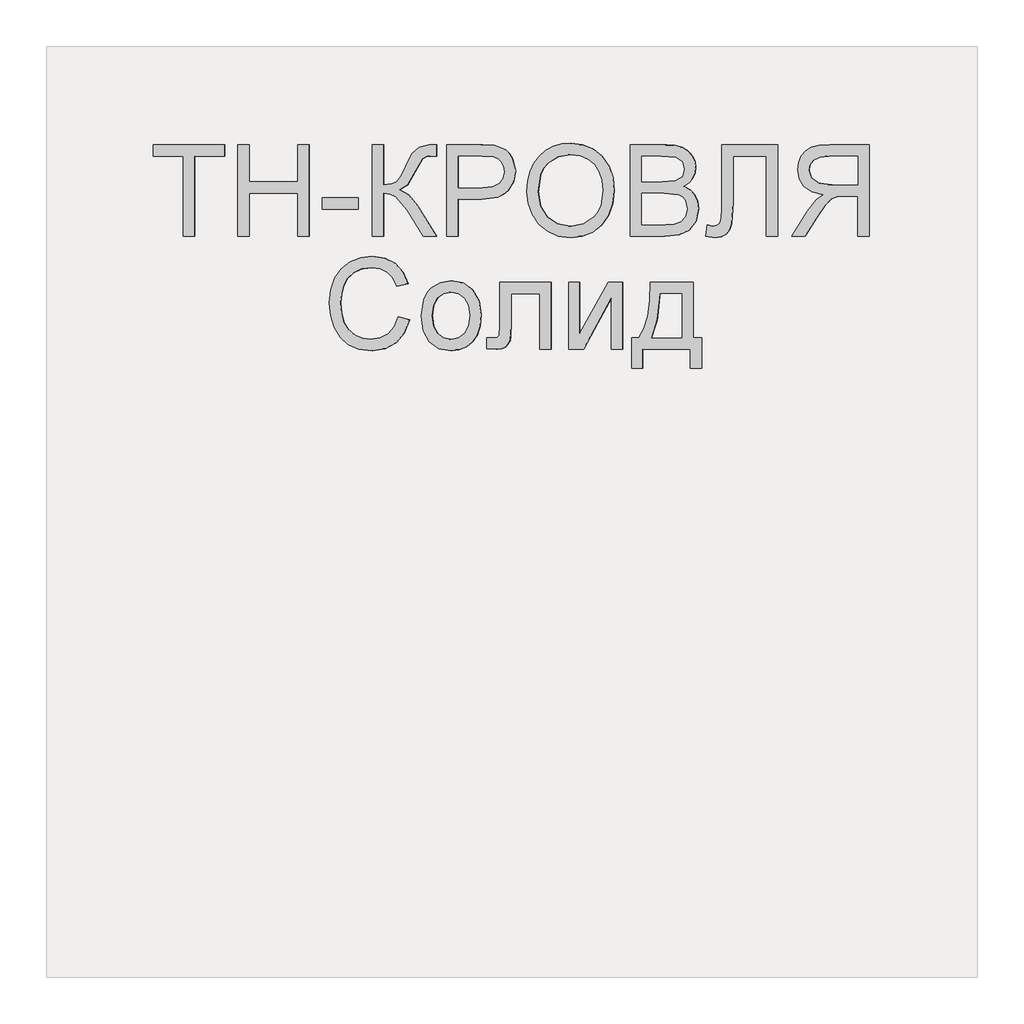
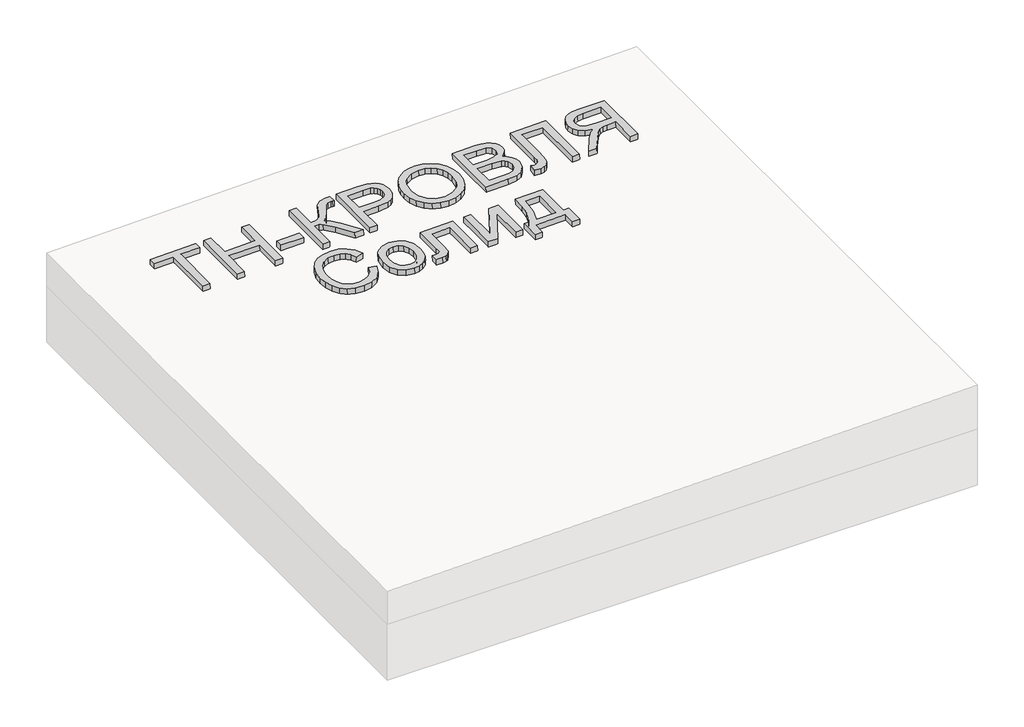
# One storey, part 3 of 3: 1 proxy.
"""IFC4 building model written with IfcOpenShell, lengths in millimetres."""

import ifcopenshell
import ifcopenshell.guid

model = None  # the IFC model being written
_history = None  # IfcOwnerHistory: only IFC2X3 demands one
_inside = {}  # id of a spatial element -> (the spatial element, [elements in it])
_under = {}  # id of a project, library or spatial element -> (it, [spatial elements below it])
_declared = {}  # id of a project -> (the project, [libraries it declares])
_typed = {}  # id of a type object -> (the type object, [elements of that type])
_made_of = {}  # id of a material, layer set ... -> (it, [elements and type objects made of it])


def new_model(schema):
    """Start an empty IFC model of exactly this schema.

    Asked for "IFC4X3", IfcOpenShell would pick the latest addendum, in which some entities
    have other attributes; the version numbers below select the first issue.
    IFC2X3 requires an IfcOwnerHistory on every rooted entity: one is made here for all.
    """
    global model, _history
    if schema == "IFC4X3":
        model = ifcopenshell.file(schema_version=(4, 3, 0, 0))
    else:
        model = ifcopenshell.file(schema=schema)
    _inside.clear()
    _under.clear()
    _declared.clear()
    _typed.clear()
    _made_of.clear()
    _history = None
    if model.schema == "IFC2X3":
        org = make("IfcOrganization", Name="unknown")
        user = make(
            "IfcPersonAndOrganization",
            ThePerson=make("IfcPerson", FamilyName="unknown"),
            TheOrganization=org,
        )
        app = make(
            "IfcApplication",
            ApplicationDeveloper=org,
            Version="unknown",
            ApplicationFullName="unknown",
            ApplicationIdentifier="unknown",
        )
        _history = make(
            "IfcOwnerHistory",
            OwningUser=user,
            OwningApplication=app,
            ChangeAction="ADDED",
            CreationDate=0,
        )
    return model


def make(cls, **values):
    """One entity of the class cls with the attributes given. An attribute that is None is left unset."""
    return model.create_entity(
        cls, **{name: value for name, value in values.items() if value is not None}
    )


def rooted(cls, **values):
    """An entity with a GlobalId (a new one), such as an element, a storey or a relation."""
    return make(cls, GlobalId=ifcopenshell.guid.new(), OwnerHistory=_history, **values)


def si_unit(unit_type, name, prefix=None):
    """IfcSIUnit, for example si_unit("LENGTHUNIT", "METRE", prefix="MILLI")."""
    return make("IfcSIUnit", UnitType=unit_type, Prefix=prefix, Name=name)


def assignment(units):
    """IfcUnitAssignment: the units of a project."""
    return None if units is None else make("IfcUnitAssignment", Units=units)


def point(xyz):
    """IfcCartesianPoint."""
    return None if xyz is None else make("IfcCartesianPoint", Coordinates=xyz)


def direction(xyz):
    """IfcDirection."""
    return None if xyz is None else make("IfcDirection", DirectionRatios=xyz)


def frame(location, z_axis=None, x_axis=None):
    """IfcAxis2Placement3D, a coordinate frame: its origin and axes. An axis left out is left unset."""
    return make(
        "IfcAxis2Placement3D",
        Location=point(location),
        Axis=direction(z_axis),
        RefDirection=direction(x_axis),
    )


def origin():
    """The frame at (0, 0, 0) with its axes left unset."""
    return frame((0.0, 0.0, 0.0))


def place(relative_to, where):
    """IfcLocalPlacement: puts the frame where relative to a parent placement (None: the world)."""
    return make(
        "IfcLocalPlacement", PlacementRelTo=relative_to, RelativePlacement=where
    )


def context(
    kind, dimensions, precision=None, world=None, true_north=None, identifier=None
):
    """IfcGeometricRepresentationContext, for example the 3D "Model" context."""
    return make(
        "IfcGeometricRepresentationContext",
        ContextIdentifier=identifier,
        ContextType=kind,
        CoordinateSpaceDimension=dimensions,
        Precision=precision,
        WorldCoordinateSystem=world,
        TrueNorth=true_north,
    )


def project(units=None, contexts=None):
    """IfcProject with its units and contexts."""
    return rooted(
        "IfcProject",
        Name="project",
        RepresentationContexts=contexts,
        UnitsInContext=assignment(units),
    )


def spatial(cls, under=None, at=None, **own):
    """A site, building, storey or space (cls), placed at a placement, below another one or the project."""
    s = rooted(cls, ObjectPlacement=at, **own)
    if under is not None:
        _under.setdefault(under.id(), (under, []))[1].append(s)
    return s


def polyline(points):
    """IfcPolyline through the points."""
    return make("IfcPolyline", Points=[point(p) for p in points])


def outline(outer, holes=None, kind="AREA"):
    """IfcArbitraryClosedProfileDef: a profile drawn as a closed curve; with holes, ...WithVoids."""
    if holes is None:
        return make("IfcArbitraryClosedProfileDef", ProfileType=kind, OuterCurve=outer)
    return make(
        "IfcArbitraryProfileDefWithVoids",
        ProfileType=kind,
        OuterCurve=outer,
        InnerCurves=holes,
    )


def extrude(swept, where, along, depth):
    """IfcExtrudedAreaSolid: the profile swept, set in the frame where, extruded along a direction by depth."""
    return make(
        "IfcExtrudedAreaSolid",
        SweptArea=swept,
        Position=where,
        ExtrudedDirection=direction(along),
        Depth=depth,
    )


def shape(context_of_items, identifier, shape_type, items):
    """IfcShapeRepresentation: the items that make up one representation, for example the "Body"."""
    return make(
        "IfcShapeRepresentation",
        ContextOfItems=context_of_items,
        RepresentationIdentifier=identifier,
        RepresentationType=shape_type,
        Items=items,
    )


def made_of(thing, what):
    """Note that an element or type object is made of a material, layer set ...; save() writes the relation."""
    if what is not None:
        _made_of.setdefault(what.id(), (what, []))[1].append(thing)
    return thing


def element(
    cls,
    number,
    at=None,
    inside=None,
    cuts=None,
    type_object=None,
    material=None,
    context=None,
    identifier="Body",
    shape_type=None,
    held_by="IfcProductDefinitionShape",
    body=None,
    shapes=None,
    **own,
):
    """One element of the class cls, such as IfcWall. Its Tag is "e" and its number.

    at: its placement. inside: the storey or other place that contains it. cuts: it is an
    opening in that element (IfcRelVoidsElement). A single representation is given by context,
    identifier, shape_type and body (its items); several are given by shapes. held_by: the class
    of the entity that holds the representations. save() writes the other relations.
    """
    e = rooted(cls, Tag="e%d" % number, ObjectPlacement=at, **own)
    if body is not None:
        shapes = [shape(context, identifier, shape_type, body)]
    if shapes is not None:
        e.Representation = make(held_by, Representations=shapes)
    if inside is not None:
        _inside.setdefault(inside.id(), (inside, []))[1].append(e)
    if cuts is not None:
        rooted(
            "IfcRelVoidsElement", RelatingBuildingElement=cuts, RelatedOpeningElement=e
        )
    if type_object is not None:
        _typed.setdefault(type_object.id(), (type_object, []))[1].append(e)
    return made_of(e, material)


def aggregate(whole, parts):
    """IfcRelAggregates: a whole, such as a stair, and the parts it consists of."""
    return rooted("IfcRelAggregates", RelatingObject=whole, RelatedObjects=parts)


def save(model, path):
    """Write the relations noted so far, then the file.

    IfcRelAggregates (storeys below a building ...), IfcRelContainedInSpatialStructure (elements
    in a storey), IfcRelDefinesByType, IfcRelAssociatesMaterial and IfcRelDeclares: one each for
    every whole, place, type object, material and project.
    """
    for whole, parts in _under.values():
        aggregate(whole, parts)
    for where, things in _inside.values():
        rooted(
            "IfcRelContainedInSpatialStructure",
            RelatedElements=things,
            RelatingStructure=where,
        )
    for kind, things in _typed.values():
        rooted("IfcRelDefinesByType", RelatedObjects=things, RelatingType=kind)
    for what, things in _made_of.values():
        rooted("IfcRelAssociatesMaterial", RelatedObjects=things, RelatingMaterial=what)
    for by, libraries in _declared.values():
        rooted("IfcRelDeclares", RelatingContext=by, RelatedDefinitions=libraries)
    model.write(path)


model = new_model("IFC4")

# Units and contexts
model_context = context("Model", 3, world=origin())
ifc_project = project(units=[si_unit("LENGTHUNIT", "METRE", prefix="MILLI")], contexts=[model_context])

# Site, building, storey
site = spatial("IfcSite", under=ifc_project)
building = spatial("IfcBuilding", under=site)
storey = spatial("IfcBuildingStorey", under=building, Elevation=0.0)

# Proxy
placement = place(None, origin())
element("IfcBuildingElementProxy", 1, Name="Generic Models", at=placement, inside=storey, context=model_context, shape_type="SweptSolid", body=[
    extrude(outline(polyline([(24.6153846, 0.0), (24.6153846, -172.3076923), (89.2307692, -172.3076923), (89.2307692, -196.9230769), (-64.6153846, -196.9230769), (-64.6153846, -172.3076923), (0.0, -172.3076923), (0.0, 0.0), (24.6153846, 0.0)])), frame((58025.3344631, -4710.2316754, 125.3787774), z_axis=(-0.01999600119956399, 0.0, 0.9998000599800078), x_axis=(-0.9998000599800078, 0.0, -0.01999600119956399)), (0.0, 0.0, 1.0), 20.0),
    extrude(outline(polyline([(24.6153846, 0.0), (24.6153846, -196.9230769), (0.0, -196.9230769), (0.0, -116.9230769), (-104.6153846, -116.9230769), (-104.6153846, -196.9230769), (-129.2307692, -196.9230769), (-129.2307692, 0.0), (-104.6153846, 0.0), (-104.6153846, -92.3076923), (0.0, -92.3076923), (0.0, 0.0), (24.6153846, 0.0)])), frame((58142.2341624, -4710.2316754, 127.7167713), z_axis=(-0.01999600119956399, 0.0, 0.9998000599800078), x_axis=(-0.9998000599800078, 0.0, -0.01999600119956399)), (0.0, 0.0, 1.0), 20.0),
    extrude(outline(polyline([(76.923077, 0.0), (76.923077, -24.6153846), (0.0, -24.6153846), (0.0, 0.0), (76.923077, 0.0)])), frame((58376.0335611, -4651.7701369, 132.3927593), z_axis=(-0.01999600119956399, 0.0, 0.9998000599800079), x_axis=(-0.9998000599800079, 0.0, -0.01999600119956399)), (0.0, 0.0, 1.0), 20.0),
    extrude(outline(polyline([(196.9230769, 0.0), (196.9230769, -24.6153846), (110.7692308, -24.6153846), (112.3978365, -41.2800481), (117.2836538, -52.1394231), (128.7800481, -60.9194711), (150.2403846, -71.3461539), (177.7644231, -84.9278847), (191.3942308, -100.3125), (196.9230769, -122.3076923), (196.6346154, -138.4615385), (172.0192308, -138.4615385), (172.1634615, -133.0288462), (172.3076923, -127.5961539), (170.8293269, -116.3221154), (166.3942308, -108.3653847), (141.0576923, -93.75), (110.1923077, -76.3221154), (100.0, -59.3269231), (88.8701923, -78.329327), (65.6730769, -97.0673077), (0.0, -138.4615385), (0.0, -109.9038462), (55.4807692, -74.9038462), (84.4471154, -50.2644231), (90.3425481, -38.8882212), (92.3076923, -24.6153846), (0.0, -24.6153846), (0.0, 0.0), (196.9230769, 0.0)])), frame((58406.7966398, -4710.2316754, 133.0080209), z_axis=(-0.01999600119956399, 0.0, 0.9998000599800079), x_axis=(0.0, 1.0, 0.0)), (0.0, 0.0, 1.0), 20.0),
    extrude(outline(polyline([(24.6153846, 0.0), (24.6153846, -196.9230769), (-48.3653847, -196.9230769), (-77.7884615, -195.0480769), (-101.7067308, -185.8413461), (-110.4026443, -177.6802885), (-117.2115385, -166.8028846), (-123.0769231, -139.9519231), (-119.1165866, -116.7427885), (-107.235577, -97.4038461), (-97.7208534, -89.7896635), (-85.0180289, -84.3509615), (-50.0480769, -80.0), (0.0, -80.0), (0.0, 0.0), (24.6153846, 0.0)]), holes=[polyline([(0.0, -104.6153846), (-51.4903847, -104.6153846), (-73.3173078, -106.875), (-87.7403846, -113.6538461), (-95.78125, -124.53125), (-98.4615385, -139.0865385), (-96.8810097, -150.1442308), (-92.1394232, -159.4711538), (-84.8257212, -166.4903846), (-75.5288461, -170.625), (-50.9134615, -172.3076923), (0.0, -172.3076923), (0.0, -104.6153846)])]), frame((58591.3751124, -4710.2316754, 136.6995903), z_axis=(-0.01999600119956399, 0.0, 0.9998000599800078), x_axis=(-0.9998000599800078, 0.0, -0.01999600119956399)), (0.0, 0.0, 1.0), 20.0),
    extrude(outline(polyline([(25.3428445, 0.0), (48.1160484, -4.1938573), (67.8912361, -11.3545773), (84.6684074, -21.48216), (98.4475626, -34.5766053), (108.9049086, -49.9093782), (115.7166524, -66.7519434), (118.8827941, -85.1043011), (118.4033337, -104.9664512), (112.3116986, -130.2760814), (100.0658902, -152.2136344), (82.4868293, -169.6009171), (60.3954366, -181.2597367), (34.812491, -187.0380147), (6.7587717, -186.7836729), (-21.0136463, -180.6528553), (-44.9882084, -168.8870737), (-63.9421568, -152.1247694), (-76.6527338, -131.0043835), (-83.1347827, -107.1750808), (-83.4031474, -82.2860261), (-77.165962, -56.5935492), (-64.600884, -34.5586152), (-46.7404789, -17.2511253), (-24.6173127, -5.740981), (0.0, 0.0), (25.3428445, 0.0)]), holes=[polyline([(22.3721769, -24.4366544), (-8.7890431, -25.9094148), (-33.7562618, -37.9787802), (-50.9832576, -58.3865327), (-58.9238091, -84.8744541), (-57.0179297, -112.8610054), (-44.5775814, -136.6179285), (-34.5460353, -146.3414541), (-22.1589798, -153.8699217), (9.6816594, -162.341683), (31.570013, -162.6815636), (50.9840871, -158.5364568), (67.4340475, -150.0149318), (80.43006, -137.2255581), (89.4380632, -121.0520254), (93.9239955, -102.3780231), (92.2935561, -75.5530127), (81.0850249, -51.6494365), (71.4163804, -41.5325654), (58.4080243, -33.6248113), (22.3721769, -24.4366544)])]), frame((58741.8498282, -4639.5525889, 139.7090847), z_axis=(-0.019996001199563993, 0.0, 0.9998000599800079), x_axis=(-0.11095588221386112, 0.9938228553011974, -0.002219117644273191)), (0.0, 0.0, 1.0), 20.0),
    extrude(outline(polyline([(74.5673077, 0.0), (74.5673077, -196.9230769), (-0.5769231, -196.9230769), (-21.2439903, -195.4747596), (-37.3798076, -191.1298077), (-49.7475961, -183.7800481), (-59.1105769, -173.3173077), (-65.0060096, -161.0096154), (-66.9711538, -148.125), (-65.3185096, -136.2680288), (-60.3605769, -125.1201923), (-52.061298, -115.3665865), (-40.3846153, -107.6923077), (-54.3329326, -100.4086538), (-64.639423, -89.3269231), (-71.0036058, -75.1802885), (-73.1249999, -58.7019231), (-67.3317307, -32.2355769), (-52.9807692, -13.3894231), (-31.5625, -3.3894231), (0.0, 0.0), (74.5673077, 0.0)]), holes=[polyline([(49.9519231, -116.9230769), (5.0, -116.9230769), (-21.2499999, -119.0384615), (-37.0432692, -128.1490385), (-42.3557692, -144.1826923), (-37.4038461, -160.2403846), (-23.2211538, -169.7355769), (8.4134616, -172.3076923), (49.9519231, -172.3076923), (49.9519231, -116.9230769)]), polyline([(49.9519231, -24.6153846), (-0.5288461, -24.6153846), (-18.7980769, -25.5769231), (-34.2548076, -30.9375), (-44.4951923, -41.875), (-48.5096153, -58.4615385), (-43.7980769, -77.5961538), (-37.6262019, -84.5132211), (-28.5336538, -89.0144231), (1.8750001, -92.3076923), (49.9519231, -92.3076923), (49.9519231, -24.6153846)])]), frame((59035.0844564, -4710.2316754, 145.5737772), z_axis=(-0.019996001199563986, 0.0, 0.9998000599800078), x_axis=(-0.9998000599800078, 0.0, -0.019996001199563986)), (0.0, 0.0, 1.0), 20.0),
    extrude(outline(polyline([(137.6442308, 0.0), (137.6442308, -120.0), (-59.2788461, -120.0), (-59.2788461, -95.3846154), (113.0288462, -95.3846154), (113.0288462, -24.6153846), (12.548077, -24.6153846), (-32.2836538, -21.7548077), (-44.951923, -17.3257211), (-54.4471153, -9.7596153), (-60.3786057, 0.6009616), (-62.3557692, 13.4134616), (-59.2788461, 33.8461539), (-34.6634615, 30.7692308), (-37.7403846, 18.9903846), (-36.0877403, 10.6670674), (-31.1298076, 4.7355769), (-20.0420673, 1.1838942), (0.0, 0.0), (137.6442308, 0.0)])), frame((59157.4157618, -4650.9528293, 148.0204033), z_axis=(-0.01999600119956399, 0.0, 0.9998000599800079), x_axis=(0.0, 1.0, 0.0)), (0.0, 0.0, 1.0), 20.0),
    extrude(outline(polyline([(24.6153846, -110.7692308), (0.0, -110.7692308), (0.0, -24.6153847), (-29.7115385, -24.6153847), (-43.9903846, -25.4807693), (-55.6971154, -30.1682693), (-68.7019231, -42.9326923), (-87.2115385, -69.9519231), (-112.8365384, -110.7692308), (-141.4423077, -110.7692308), (-108.6057692, -57.4038462), (-88.6538462, -32.0673077), (-74.6634615, -21.5384616), (-98.9122596, -15.0120193), (-115.8894231, -3.2211539), (-125.8954327, 12.8605769), (-129.2307692, 32.2596153), (-127.2175481, 47.8545673), (-121.1778846, 62.0432692), (-111.766827, 73.4855769), (-99.6394231, 80.8413461), (-83.046875, 84.8257211), (-60.2403847, 86.1538461), (24.6153846, 86.1538461), (24.6153846, -110.7692308)]), holes=[polyline([(0.0, 0.0), (0.0, 61.5384615), (-61.2980769, 61.5384615), (-80.7752404, 59.4110577), (-94.2067308, 53.0288461), (-102.0132211, 43.3533653), (-104.6153846, 31.3461538), (-99.1586539, 14.639423), (-83.1971154, 3.4855769), (-55.0961538, 0.0), (0.0, 0.0)])]), frame((59449.6650101, -4599.4624446, 153.8653883), z_axis=(-0.019996001199563986, 0.0, 0.9998000599800078), x_axis=(0.9998000599800078, 0.0, 0.019996001199563986)), (0.0, 0.0, 1.0), 20.0),
    extrude(outline(polyline([(22.5354079, 0.0), (25.296308, -25.2699081), (-5.5506296, -24.7796777), (-31.452572, -15.5094536), (-51.7172012, 1.8643534), (-65.6521992, 26.665333), (-72.7161385, 54.5176714), (-71.6541095, 79.1565775), (-62.9869172, 101.0084672), (-47.2353669, 120.4997568), (-26.1873801, 136.7174457), (-1.6308787, 148.7485329), (26.2607092, 156.1677693), (52.5465361, 156.7492124), (76.3287427, 150.6419577), (96.7094699, 137.995101), (113.000055, 120.0196259), (124.5118356, 97.9265161), (130.46148, 71.3235406), (127.5854564, 46.3849145), (116.3008344, 24.0133528), (97.024684, 5.1115705), (82.8399673, 26.0666107), (96.6174416, 40.3925606), (104.0173216, 55.650124), (105.4046693, 72.1313636), (101.1445465, 90.1283425), (91.2118017, 108.9763124), (77.6877546, 122.4335433), (61.4947541, 130.4051578), (43.5551487, 132.796278), (25.0378535, 130.8321413), (7.1117836, 125.7379848), (-13.5055529, 115.9656325), (-29.9321499, 103.8061216), (-41.3909419, 89.3281159), (-47.1048631, 72.6002794), (-47.6221488, 54.9380281), (-43.4910345, 37.6567782), (-33.3749751, 19.5140243), (-18.757379, 6.7332198), (0.0, 0.0), (22.5354079, 0.0)])), frame((58454.2090333, -4904.3903293, 133.9562688), z_axis=(-0.01999600119956399, 0.0, 0.9998000599800079), x_axis=(0.35327287482616365, 0.9354936425344765, 0.007065457496510511)), (0.0, 0.0, 1.0), 20.0),
    extrude(outline(polyline([(32.567166, 0.0), (66.3756558, -10.0548095), (78.8838583, -18.5052064), (88.4613657, -29.2375981), (97.6493261, -50.4330578), (98.3741514, -74.388468), (90.0009116, -99.3354124), (72.6856708, -117.7907263), (47.8333955, -128.0195983), (16.8490523, -128.2872165), (-7.510343, -122.9013503), (-25.441205, -114.3768481), (-38.1401425, -102.7240243), (-46.8037641, -87.9531932), (-51.1686244, -71.2292642), (-50.9712784, -53.7171464), (-42.5730516, -28.4581812), (-25.3146823, -10.019263), (0.0, 0.0), (32.567166, 0.0)]), holes=[polyline([(29.2398792, -24.389519), (6.7820621, -24.156784), (-10.1111098, -30.4456967), (-21.2858449, -41.8821547), (-26.588351, -57.092056), (-25.5887935, -73.1014407), (-17.8837037, -87.1268409), (-3.1255027, -97.7967093), (19.0333893, -103.7394986), (40.8507691, -103.8653882), (57.5370536, -97.4932375), (68.7109647, -86.0627322), (73.9912241, -71.0135583), (73.0313183, -54.9368589), (65.4188174, -40.9000066), (50.9046835, -30.2639203), (29.2398792, -24.389519)])]), frame((58515.8553591, -4913.2605216, 135.1891953), z_axis=(-0.01999600119956399, 0.0, 0.9998000599800079), x_axis=(-0.13707829158736495, 0.9905564223164067, -0.002741565831742323)), (0.0, 0.0, 1.0), 20.0),
    extrude(outline(polyline([(92.2115384, 0.0), (92.2115384, -110.7692307), (-52.2596154, -110.7692307), (-52.2596154, -86.1538461), (67.5961538, -86.1538461), (67.5961538, -24.6153846), (-1.3942308, -24.6153846), (-33.2211539, -22.9567308), (-46.6586539, -13.8461538), (-50.9675481, -4.7355769), (-52.4038462, 7.6923077), (-51.1538462, 27.6923077), (-27.7884616, 27.6923077), (-27.7884616, 16.6826923), (-26.2740385, 5.5528846), (-21.4663462, 1.1057693), (0.0, 0.0), (92.2115384, 0.0)])), frame((58680.5880409, -4900.9047523, 138.4838489), z_axis=(-0.01999600119956399, 0.0, 0.9998000599800079), x_axis=(0.0, 1.0, 0.0)), (0.0, 0.0, 1.0), 20.0),
    extrude(outline(polyline([(144.6153846, 0.0), (144.6153846, -24.6153846), (34.3269231, -24.6153846), (144.6153846, -85.0961538), (144.6153846, -116.9230769), (0.0, -116.9230769), (0.0, -92.3076923), (109.6153846, -92.3076923), (0.0, -32.2115384), (0.0, 0.0), (144.6153846, 0.0)])), frame((58828.250819, -4953.3085985, 141.4371045), z_axis=(-0.01999600119956399, 0.0, 0.9998000599800079), x_axis=(0.0, 1.0, 0.0)), (0.0, 0.0, 1.0), 20.0),
    extrude(outline(polyline([(39.8055302, 0.0), (42.4115803, -92.2708977), (-77.5405867, -95.6587629), (-77.0193766, -114.1129424), (-141.609005, -115.9371775), (-142.3039517, -91.3316048), (-102.319896, -90.2023164), (-105.1865512, 11.2956711), (-145.1706069, 10.1663827), (-145.8655536, 34.7719554), (-81.2759252, 36.5961905), (-80.8415835, 21.2177075), (-60.3235569, 10.6088538), (-33.3763624, 3.5362845), (0.0, 0.0), (39.8055302, 0.0)]), holes=[polyline([(15.8080359, -22.2248229), (-40.4142184, -18.041203), (-80.0597685, -6.4635618), (-78.2355334, -71.0531902), (17.1110609, -68.3602717), (15.8080359, -22.2248229)])]), frame((59002.4767945, -4848.4828773, 144.921624), z_axis=(-0.019996001199563986, 0.0, 0.9998000599800078), x_axis=(0.028226564925627383, 0.9996013917241774, 0.0005645312985115439)), (0.0, 0.0, 1.0), 20.0),
])

save(model, "model.ifc")
